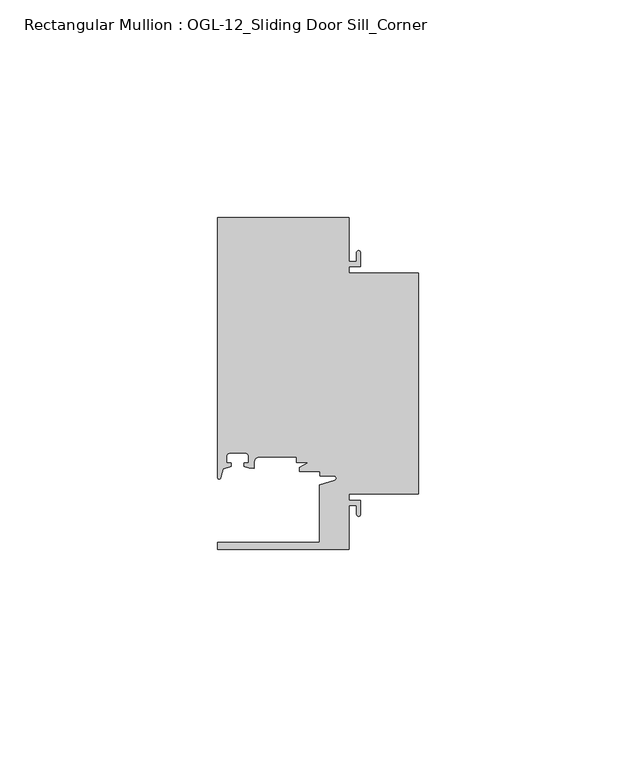
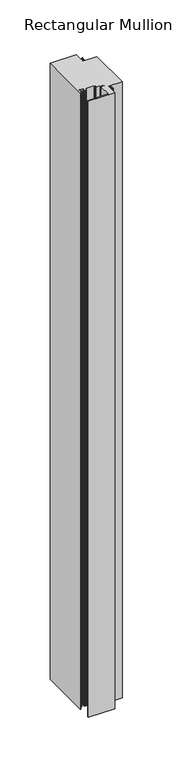
"""IFC4 building model written with IfcOpenShell, lengths in millimetres: member geometry, Rectangular Mullion : OGL-12_Sliding Door Sill_Corner."""

from ifc_helpers import new_model, si_unit, point, frame, frame_2d, origin, place, context, project, spatial, polyline, circle_curve, trimmed, segment, composite_curve, outline, extrude, source, transform, mapped, element, save


def rectangular_mullion_ogl_12_sliding_door_sill_corner_bb4afec7(model_context):
    return source(origin(), model_context, "Body", "SweptSolid", [
        extrude(outline(composite_curve([segment(polyline([(0.0, 4.7625), (-15.934238, 4.7625), (-15.934238, 3.3151991), (-13.2417195, 3.3151991), (-13.2417195, 0.1196497)]), True, "CONTINUOUS"), segment(trimmed(circle_curve(frame_2d((-13.6974747, 0.1196497)), 0.4557552), [point((-13.2417195, 0.1196497))], [point((-14.15323, 0.1196497))], False, "CARTESIAN"), True, "CONTINUOUS"), segment(polyline([(-14.15323, 0.1196497), (-14.15323, 2.1086991), (-15.934238, 2.1086991), (-15.934238, -7.9371792), (-46.0931306, -7.9371792), (-46.0931306, -6.3496792), (-22.6260049, -6.3496792), (-22.6260049, 6.8788334), (-19.2086572, 7.8587421)]), True, "CONTINUOUS"), segment(trimmed(circle_curve(frame_2d((-19.3562398, 8.373424)), 0.5354233), [point((-19.2086572, 7.8587421))], [point((-19.3562398, 8.9088472))], True, "CARTESIAN"), True, "CONTINUOUS"), segment(polyline([(-19.3562398, 8.9088472), (-22.6027094, 8.9088472), (-22.6027094, 9.9460025), (-27.2970068, 9.9460025), (-27.2970068, 10.896705), (-25.1995125, 12.0119625), (-27.9268052, 12.0119625), (-27.9268052, 13.2988211), (-36.3386331, 13.2988211)]), True, "CONTINUOUS"), segment(trimmed(circle_curve(frame_2d((-36.3386331, 11.8846104)), 1.4142107), [point((-36.3386331, 13.2988211))], [point((-37.7528423, 11.8825031))], True, "CARTESIAN"), True, "CONTINUOUS"), segment(polyline([(-37.7528423, 11.8825031), (-37.7528423, 10.6805611), (-38.8813571, 10.7133647), (-39.9812066, 11.0948795), (-39.9812066, 11.9378256), (-39.0028438, 11.9378256), (-39.0028438, 13.3878227)]), True, "CONTINUOUS"), segment(trimmed(circle_curve(frame_2d((-39.8028422, 13.3878227)), 0.7999984), [point((-39.0028438, 13.3878227))], [point((-39.8028422, 14.1878211))], True, "CARTESIAN"), True, "CONTINUOUS"), segment(polyline([(-39.8028422, 14.1878211), (-43.2028354, 14.1878211)]), True, "CONTINUOUS"), segment(trimmed(circle_curve(frame_2d((-43.2028354, 13.3878227)), 0.7999984), [point((-43.2028354, 14.1878211))], [point((-44.0028338, 13.3878227))], True, "CARTESIAN"), True, "CONTINUOUS"), segment(polyline([(-44.0028338, 13.3878227), (-44.0028338, 11.9378256), (-43.0244711, 11.9378256), (-43.0244711, 11.1260664), (-44.83413, 10.5380726), (-45.434586, 8.4440335)]), True, "CONTINUOUS"), segment(trimmed(circle_curve(frame_2d((-45.7573546, 8.5365859)), 0.335776), [point((-45.434586, 8.4440335))], [point((-46.0931306, 8.5365859))], False, "CARTESIAN"), True, "CONTINUOUS"), segment(polyline([(-46.0931306, 8.5365859), (-46.0931306, 68.2628208), (-15.934238, 68.2628208), (-15.934238, 58.2169425), (-14.15323, 58.2169425), (-14.15323, 60.2053503)]), True, "CONTINUOUS"), segment(trimmed(circle_curve(frame_2d((-13.6974747, 60.2053503)), 0.4557552), [point((-14.15323, 60.2053503))], [point((-13.2417195, 60.2053503))], False, "CARTESIAN"), True, "CONTINUOUS"), segment(polyline([(-13.2417195, 60.2053503), (-13.2417195, 57.0104425), (-15.934238, 57.0104425), (-15.934238, 55.5625), (0.0, 55.5625), (0.0, 4.7625)]), True, "CONTINUOUS")], self_intersect=False)), frame((0.0, 0.0, -749.356904), z_axis=(0.0, 0.0, 1.0), x_axis=(1.0, 0.0, 0.0)), (0.0, 0.0, 1.0), 749.356904),
    ])


if __name__ == "__main__":
    model = new_model("IFC4")
    model_context = context("Model", 3, world=origin())
    ifc_project = project(units=[si_unit("LENGTHUNIT", "METRE", prefix="MILLI")], contexts=[model_context])
    site = spatial("IfcSite", under=ifc_project)
    building = spatial("IfcBuilding", under=site)
    placement = place(None, origin())
    rectangular_mullion_ogl_12_sliding_door_sill_corner_shape = rectangular_mullion_ogl_12_sliding_door_sill_corner_bb4afec7(model_context)
    element("IfcMember", 1, ObjectType="Rectangular Mullion : OGL-12_Sliding Door Sill_Corner", at=placement, inside=building, context=model_context, shape_type="MappedRepresentation", body=[
        mapped(rectangular_mullion_ogl_12_sliding_door_sill_corner_shape, transform((0.0, 0.0, 0.0), x_axis=(1.0, 0.0, 0.0), y_axis=(0.0, 1.0, 0.0), z_axis=(0.0, 0.0, 1.0))),
    ])
    save(model, "model.ifc")
